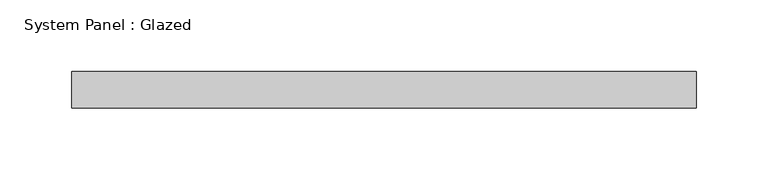
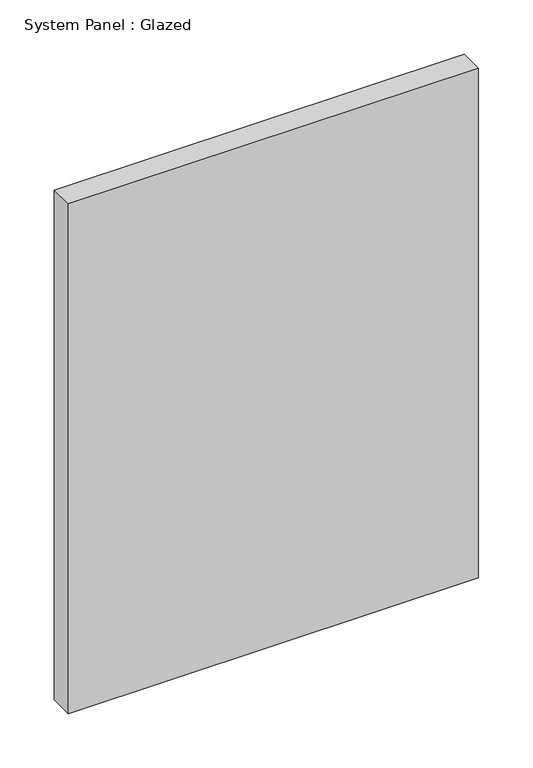
"""IFC4 building model written with IfcOpenShell, lengths in millimetres: plate geometry, System Panel : Glazed."""

from ifc_helpers import new_model, si_unit, origin, origin_with_axes, place, context, project, spatial, polyline, outline, extrude, source, transform, mapped, element, save


def system_panel_glazed_4a968b28(model_context):
    return source(origin(), model_context, "Body", "SweptSolid", [
        extrude(outline(polyline([(217.4875, -44.45), (-217.4875, -44.45), (-217.4875, -19.05), (217.4875, -19.05), (217.4875, -44.45)])), origin_with_axes(), (0.0, 0.0, 1.0), 571.5),
    ])


if __name__ == "__main__":
    model = new_model("IFC4")
    model_context = context("Model", 3, world=origin())
    ifc_project = project(units=[si_unit("LENGTHUNIT", "METRE", prefix="MILLI")], contexts=[model_context])
    site = spatial("IfcSite", under=ifc_project)
    building = spatial("IfcBuilding", under=site)
    placement = place(None, origin())
    system_panel_glazed_shape = system_panel_glazed_4a968b28(model_context)
    element("IfcPlate", 1, ObjectType="System Panel : Glazed", at=placement, inside=building, context=model_context, shape_type="MappedRepresentation", body=[
        mapped(system_panel_glazed_shape, transform((0.0, 0.0, 0.0), x_axis=(1.0, 0.0, 0.0), y_axis=(0.0, 1.0, 0.0), z_axis=(0.0, 0.0, 1.0))),
    ])
    save(model, "model.ifc")
